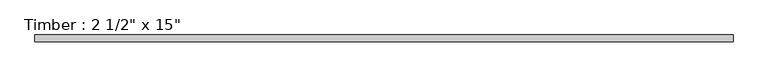
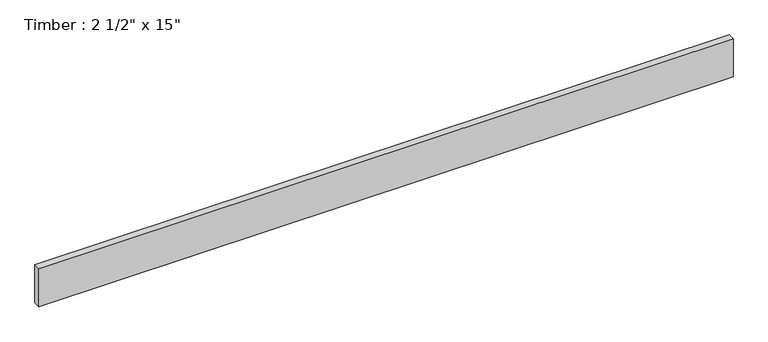
"""IFC4 building model written with IfcOpenShell, lengths in millimetres: beam geometry."""

from ifc_helpers import new_model, si_unit, frame, origin, place, context, project, spatial, polyline, outline, extrude, source, transform, mapped, element, save


def beam_e096f4d1(model_context):
    return source(origin(), model_context, "Body", "SweptSolid", [
        extrude(outline(polyline([(3282.95, 31.75), (3282.95, -31.75), (-3282.95, -31.75), (-3282.95, 31.75), (3282.95, 31.75)])), frame((0.0, 0.0, -190.5), z_axis=(0.0, 0.0, 1.0), x_axis=(1.0, 0.0, 0.0)), (0.0, 0.0, 1.0), 381.0),
    ])


if __name__ == "__main__":
    model = new_model("IFC4")
    model_context = context("Model", 3, world=origin())
    ifc_project = project(units=[si_unit("LENGTHUNIT", "METRE", prefix="MILLI")], contexts=[model_context])
    site = spatial("IfcSite", under=ifc_project)
    building = spatial("IfcBuilding", under=site)
    placement = place(None, origin())
    beam_shape = beam_e096f4d1(model_context)
    element("IfcBeam", 1, ObjectType="Timber : 2 1/2\" x 15\"", at=placement, inside=building, context=model_context, shape_type="MappedRepresentation", body=[
        mapped(beam_shape, transform((0.0, 0.0, 0.0), x_axis=(1.0, 0.0, 0.0), y_axis=(0.0, 1.0, 0.0), z_axis=(0.0, 0.0, 1.0))),
    ])
    save(model, "model.ifc")
